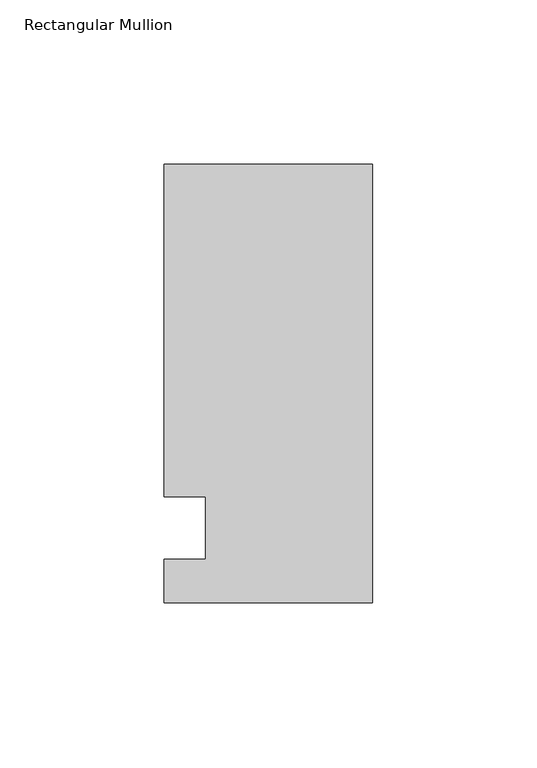
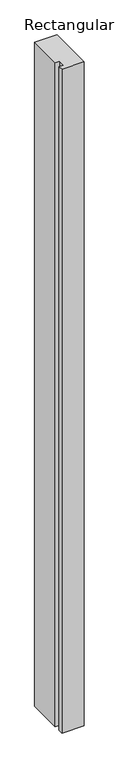
"""IFC4 building model written with IfcOpenShell, lengths in millimetres: member geometry, Rectangular Mullion."""

import ifcopenshell
import ifcopenshell.guid

model = None  # the IFC model being written
_history = None  # IfcOwnerHistory: only IFC2X3 demands one
_inside = {}  # id of a spatial element -> (the spatial element, [elements in it])
_under = {}  # id of a project, library or spatial element -> (it, [spatial elements below it])
_declared = {}  # id of a project -> (the project, [libraries it declares])
_typed = {}  # id of a type object -> (the type object, [elements of that type])
_made_of = {}  # id of a material, layer set ... -> (it, [elements and type objects made of it])


def new_model(schema):
    """Start an empty IFC model of exactly this schema.

    Asked for "IFC4X3", IfcOpenShell would pick the latest addendum, in which some entities
    have other attributes; the version numbers below select the first issue.
    IFC2X3 requires an IfcOwnerHistory on every rooted entity: one is made here for all.
    """
    global model, _history
    if schema == "IFC4X3":
        model = ifcopenshell.file(schema_version=(4, 3, 0, 0))
    else:
        model = ifcopenshell.file(schema=schema)
    _inside.clear()
    _under.clear()
    _declared.clear()
    _typed.clear()
    _made_of.clear()
    _history = None
    if model.schema == "IFC2X3":
        org = make("IfcOrganization", Name="unknown")
        user = make(
            "IfcPersonAndOrganization",
            ThePerson=make("IfcPerson", FamilyName="unknown"),
            TheOrganization=org,
        )
        app = make(
            "IfcApplication",
            ApplicationDeveloper=org,
            Version="unknown",
            ApplicationFullName="unknown",
            ApplicationIdentifier="unknown",
        )
        _history = make(
            "IfcOwnerHistory",
            OwningUser=user,
            OwningApplication=app,
            ChangeAction="ADDED",
            CreationDate=0,
        )
    return model


def make(cls, **values):
    """One entity of the class cls with the attributes given. An attribute that is None is left unset."""
    return model.create_entity(
        cls, **{name: value for name, value in values.items() if value is not None}
    )


def rooted(cls, **values):
    """An entity with a GlobalId (a new one), such as an element, a storey or a relation."""
    return make(cls, GlobalId=ifcopenshell.guid.new(), OwnerHistory=_history, **values)


def si_unit(unit_type, name, prefix=None):
    """IfcSIUnit, for example si_unit("LENGTHUNIT", "METRE", prefix="MILLI")."""
    return make("IfcSIUnit", UnitType=unit_type, Prefix=prefix, Name=name)


def assignment(units):
    """IfcUnitAssignment: the units of a project."""
    return None if units is None else make("IfcUnitAssignment", Units=units)


def point(xyz):
    """IfcCartesianPoint."""
    return None if xyz is None else make("IfcCartesianPoint", Coordinates=xyz)


def direction(xyz):
    """IfcDirection."""
    return None if xyz is None else make("IfcDirection", DirectionRatios=xyz)


def frame(location, z_axis=None, x_axis=None):
    """IfcAxis2Placement3D, a coordinate frame: its origin and axes. An axis left out is left unset."""
    return make(
        "IfcAxis2Placement3D",
        Location=point(location),
        Axis=direction(z_axis),
        RefDirection=direction(x_axis),
    )


def origin():
    """The frame at (0, 0, 0) with its axes left unset."""
    return frame((0.0, 0.0, 0.0))


def place(relative_to, where):
    """IfcLocalPlacement: puts the frame where relative to a parent placement (None: the world)."""
    return make(
        "IfcLocalPlacement", PlacementRelTo=relative_to, RelativePlacement=where
    )


def context(
    kind, dimensions, precision=None, world=None, true_north=None, identifier=None
):
    """IfcGeometricRepresentationContext, for example the 3D "Model" context."""
    return make(
        "IfcGeometricRepresentationContext",
        ContextIdentifier=identifier,
        ContextType=kind,
        CoordinateSpaceDimension=dimensions,
        Precision=precision,
        WorldCoordinateSystem=world,
        TrueNorth=true_north,
    )


def project(units=None, contexts=None):
    """IfcProject with its units and contexts."""
    return rooted(
        "IfcProject",
        Name="project",
        RepresentationContexts=contexts,
        UnitsInContext=assignment(units),
    )


def spatial(cls, under=None, at=None, **own):
    """A site, building, storey or space (cls), placed at a placement, below another one or the project."""
    s = rooted(cls, ObjectPlacement=at, **own)
    if under is not None:
        _under.setdefault(under.id(), (under, []))[1].append(s)
    return s


def polyline(points):
    """IfcPolyline through the points."""
    return make("IfcPolyline", Points=[point(p) for p in points])


def outline(outer, holes=None, kind="AREA"):
    """IfcArbitraryClosedProfileDef: a profile drawn as a closed curve; with holes, ...WithVoids."""
    if holes is None:
        return make("IfcArbitraryClosedProfileDef", ProfileType=kind, OuterCurve=outer)
    return make(
        "IfcArbitraryProfileDefWithVoids",
        ProfileType=kind,
        OuterCurve=outer,
        InnerCurves=holes,
    )


def extrude(swept, where, along, depth):
    """IfcExtrudedAreaSolid: the profile swept, set in the frame where, extruded along a direction by depth."""
    return make(
        "IfcExtrudedAreaSolid",
        SweptArea=swept,
        Position=where,
        ExtrudedDirection=direction(along),
        Depth=depth,
    )


def shape(context_of_items, identifier, shape_type, items):
    """IfcShapeRepresentation: the items that make up one representation, for example the "Body"."""
    return make(
        "IfcShapeRepresentation",
        ContextOfItems=context_of_items,
        RepresentationIdentifier=identifier,
        RepresentationType=shape_type,
        Items=items,
    )


def source(mapping_origin, context_of_items, identifier, shape_type, items):
    """IfcRepresentationMap: a shape defined once, which mapped items show again and again."""
    return make(
        "IfcRepresentationMap",
        MappingOrigin=mapping_origin,
        MappedRepresentation=shape(context_of_items, identifier, shape_type, items),
    )


def transform(
    local_origin,
    x_axis=None,
    y_axis=None,
    z_axis=None,
    scale=None,
    scale2=None,
    scale3=None,
    uniform=True,
):
    """IfcCartesianTransformationOperator3D, or its non-uniform kind. x_axis, y_axis, z_axis: its Axis1, 2, 3."""
    if uniform:
        return make(
            "IfcCartesianTransformationOperator3D",
            Axis1=direction(x_axis),
            Axis2=direction(y_axis),
            LocalOrigin=point(local_origin),
            Scale=scale,
            Axis3=direction(z_axis),
        )
    return make(
        "IfcCartesianTransformationOperator3DnonUniform",
        Axis1=direction(x_axis),
        Axis2=direction(y_axis),
        LocalOrigin=point(local_origin),
        Scale=scale,
        Axis3=direction(z_axis),
        Scale2=scale2,
        Scale3=scale3,
    )


def mapped(mapping_source, mapping_target):
    """IfcMappedItem: shows the shape of a source again, moved by a transform."""
    return make(
        "IfcMappedItem", MappingSource=mapping_source, MappingTarget=mapping_target
    )


def made_of(thing, what):
    """Note that an element or type object is made of a material, layer set ...; save() writes the relation."""
    if what is not None:
        _made_of.setdefault(what.id(), (what, []))[1].append(thing)
    return thing


def element(
    cls,
    number,
    at=None,
    inside=None,
    cuts=None,
    type_object=None,
    material=None,
    context=None,
    identifier="Body",
    shape_type=None,
    held_by="IfcProductDefinitionShape",
    body=None,
    shapes=None,
    **own,
):
    """One element of the class cls, such as IfcWall. Its Tag is "e" and its number.

    at: its placement. inside: the storey or other place that contains it. cuts: it is an
    opening in that element (IfcRelVoidsElement). A single representation is given by context,
    identifier, shape_type and body (its items); several are given by shapes. held_by: the class
    of the entity that holds the representations. save() writes the other relations.
    """
    e = rooted(cls, Tag="e%d" % number, ObjectPlacement=at, **own)
    if body is not None:
        shapes = [shape(context, identifier, shape_type, body)]
    if shapes is not None:
        e.Representation = make(held_by, Representations=shapes)
    if inside is not None:
        _inside.setdefault(inside.id(), (inside, []))[1].append(e)
    if cuts is not None:
        rooted(
            "IfcRelVoidsElement", RelatingBuildingElement=cuts, RelatedOpeningElement=e
        )
    if type_object is not None:
        _typed.setdefault(type_object.id(), (type_object, []))[1].append(e)
    return made_of(e, material)


def aggregate(whole, parts):
    """IfcRelAggregates: a whole, such as a stair, and the parts it consists of."""
    return rooted("IfcRelAggregates", RelatingObject=whole, RelatedObjects=parts)


def save(model, path):
    """Write the relations noted so far, then the file.

    IfcRelAggregates (storeys below a building ...), IfcRelContainedInSpatialStructure (elements
    in a storey), IfcRelDefinesByType, IfcRelAssociatesMaterial and IfcRelDeclares: one each for
    every whole, place, type object, material and project.
    """
    for whole, parts in _under.values():
        aggregate(whole, parts)
    for where, things in _inside.values():
        rooted(
            "IfcRelContainedInSpatialStructure",
            RelatedElements=things,
            RelatingStructure=where,
        )
    for kind, things in _typed.values():
        rooted("IfcRelDefinesByType", RelatedObjects=things, RelatingType=kind)
    for what, things in _made_of.values():
        rooted("IfcRelAssociatesMaterial", RelatedObjects=things, RelatingMaterial=what)
    for by, libraries in _declared.values():
        rooted("IfcRelDeclares", RelatingContext=by, RelatedDefinitions=libraries)
    model.write(path)


def rectangular_mullion_8e8df47e(model_context):
    return source(origin(), model_context, "Body", "SweptSolid", [
        extrude(outline(polyline([(31.75, 133.4396937), (31.75, 0.0134937), (-31.75, 0.0134937), (-31.75, 13.1960937), (-19.05, 13.1960937), (-19.05, 32.2460937), (-31.75, 32.2460937), (-31.75, 133.4396937), (31.75, 133.4396937)])), frame((0.0, 0.0, -1993.9), z_axis=(0.0, 0.0, 1.0), x_axis=(1.0, 0.0, 0.0)), (0.0, 0.0, 1.0), 1993.9),
    ])


if __name__ == "__main__":
    model = new_model("IFC4")
    model_context = context("Model", 3, world=origin())
    ifc_project = project(units=[si_unit("LENGTHUNIT", "METRE", prefix="MILLI")], contexts=[model_context])
    site = spatial("IfcSite", under=ifc_project)
    building = spatial("IfcBuilding", under=site)
    placement = place(None, origin())
    rectangular_mullion_shape = rectangular_mullion_8e8df47e(model_context)
    element("IfcMember", 1, ObjectType="Rectangular Mullion", at=placement, inside=building, context=model_context, shape_type="MappedRepresentation", body=[
        mapped(rectangular_mullion_shape, transform((0.0, 0.0, 0.0), x_axis=(1.0, 0.0, 0.0), y_axis=(0.0, 1.0, 0.0), z_axis=(0.0, 0.0, 1.0))),
    ])
    save(model, "model.ifc")
